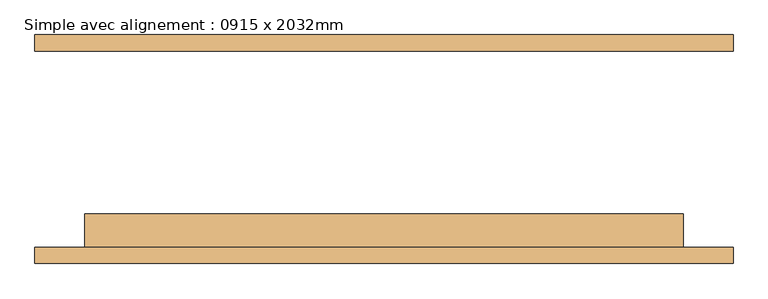
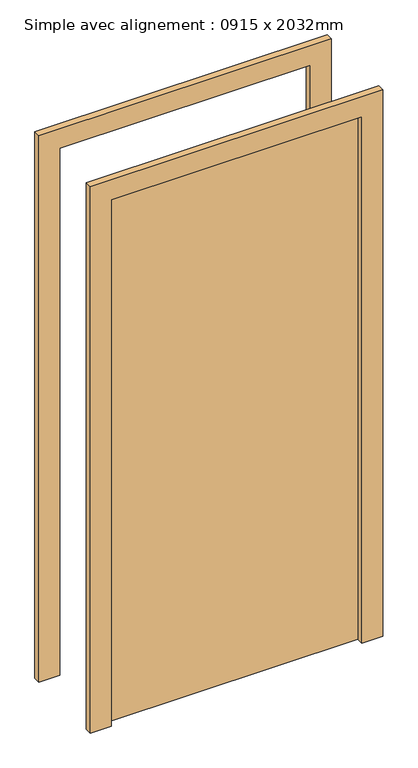
"""IFC4 building model written with IfcOpenShell, lengths in millimetres: door geometry, Simple avec alignement : 0915 x 2032mm."""

from ifc_helpers import new_model, si_unit, frame, origin, origin_with_axes, place, context, project, spatial, polyline, outline, extrude, source, transform, mapped, element, save


def simple_avec_alignement_0915_x_2032mm_5b233852(model_context):
    return source(origin(), model_context, "Body", "SweptSolid", [
        extrude(outline(polyline([(2108.0, -533.5), (0.0, -533.5), (0.0, -457.5), (2032.0, -457.5), (2032.0, 457.5), (0.0, 457.5), (0.0, 533.5), (2108.0, 533.5), (2108.0, -533.5)])), frame((0.0, -175.0, 0.0), z_axis=(0.0, 1.0, 0.0), x_axis=(0.0, 0.0, 1.0)), (0.0, 0.0, 1.0), 25.0),
        extrude(outline(polyline([(2108.0, 533.5), (2108.0, -533.5), (0.0, -533.5), (0.0, -457.5), (2032.0, -457.5), (2032.0, 457.5), (0.0, 457.5), (0.0, 533.5), (2108.0, 533.5)])), frame((0.0, 150.0, 0.0), z_axis=(0.0, 1.0, 0.0), x_axis=(0.0, 0.0, 1.0)), (0.0, 0.0, 1.0), 25.0),
        extrude(outline(polyline([(457.5, -99.0), (457.5, -150.0), (-457.5, -150.0), (-457.5, -99.0), (457.5, -99.0)])), origin_with_axes(), (0.0, 0.0, 1.0), 2032.0),
    ])


if __name__ == "__main__":
    model = new_model("IFC4")
    model_context = context("Model", 3, world=origin())
    ifc_project = project(units=[si_unit("LENGTHUNIT", "METRE", prefix="MILLI")], contexts=[model_context])
    site = spatial("IfcSite", under=ifc_project)
    building = spatial("IfcBuilding", under=site)
    placement = place(None, origin())
    simple_avec_alignement_0915_x_2032mm_shape = simple_avec_alignement_0915_x_2032mm_5b233852(model_context)
    element("IfcDoor", 1, ObjectType="Simple avec alignement : 0915 x 2032mm", at=placement, inside=building, context=model_context, shape_type="MappedRepresentation", body=[
        mapped(simple_avec_alignement_0915_x_2032mm_shape, transform((0.0, 0.0, 0.0), x_axis=(1.0, 0.0, 0.0), y_axis=(0.0, 1.0, 0.0), z_axis=(0.0, 0.0, 1.0))),
    ])
    save(model, "model.ifc")
